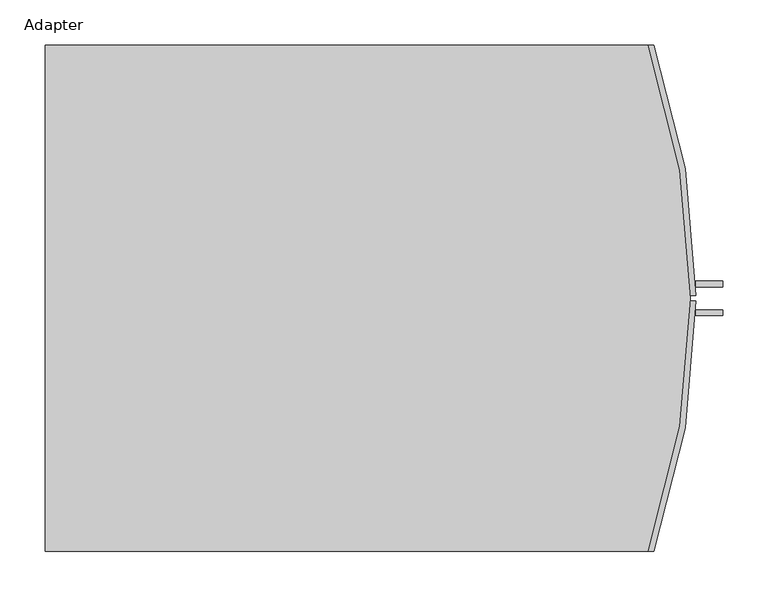
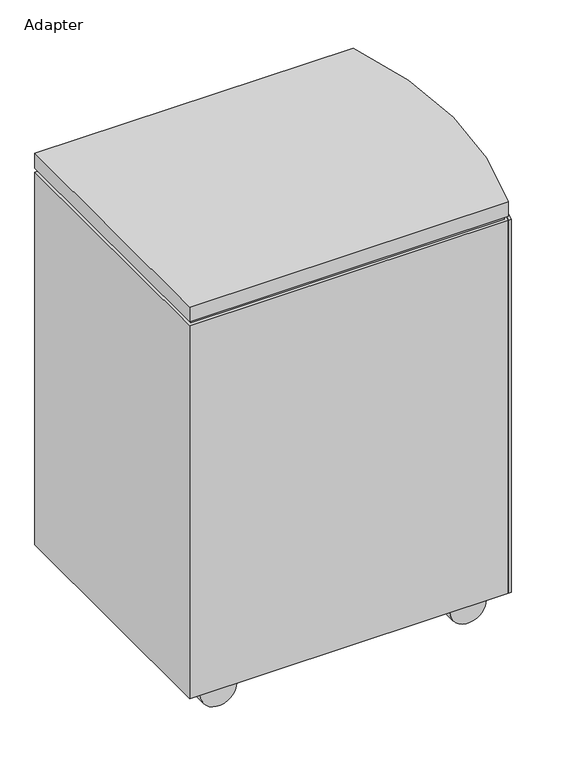
"""IFC4 building model written with IfcOpenShell, lengths in millimetres: proxy geometry, Adapter."""

from ifc_helpers import new_model, si_unit, point, frame, frame_2d, origin, place, context, project, spatial, polyline, circle_curve, trimmed, segment, composite_curve, outline, extrude, source, transform, mapped, element, save
from ifc_brep_helpers import plane_surface, cylinder_surface, revolved_surface, advanced_brep


def adapter_5cf32f5f(model_context):
    return source(origin(), model_context, "Body", "SolidModel", [
        advanced_brep(
        [(664.6896646, 0.0, 939.8), (0.0, 0.0, 939.8), (0.0, -558.8, 939.8), (664.6896646, -558.8, 939.8), (664.6896646, 0.0, 76.2), (664.6896646, -558.8, 76.2), (0.0, -558.8, 76.2), (0.0, 0.0, 76.2), (664.6896646, 0.0, 906.9953684), (0.0, 0.0, 906.9953684), (0.0, 0.0, 898.9584795), (664.6896646, 0.0, 898.9584795), (0.0, -558.8, 906.9953684), (664.6896646, -558.8, 906.9953684), (664.6896646, -558.8, 898.9584795), (0.0, -558.8, 898.9584795), (660.1393813, -552.45, 906.9953684), (660.1393813, -6.35, 906.9953684), (6.35, -6.35, 906.9953684), (6.35, -552.45, 906.9953684), (660.1393813, -552.45, 898.9584795), (6.35, -552.45, 898.9584795), (6.35, -6.35, 898.9584795), (660.1393813, -6.35, 898.9584795)],
        [
            (0, 1),
            (1, 2),
            (2, 3),
            (3, 0, circle_curve(frame((-151.2703593, -279.4, 939.8), z_axis=(0.0, 0.0, 1.0), x_axis=(-1.0, 0.0, 0.0)), 862.4703593)),
            (4, 5, circle_curve(frame((-151.2703593, -279.4, 76.2), z_axis=(0.0, 0.0, -1.0), x_axis=(-1.0, 0.0, 0.0)), 862.4703593)),
            (5, 6),
            (6, 7),
            (7, 4),
            (0, 8),
            (8, 9),
            (9, 1),
            (7, 10),
            (10, 11),
            (11, 4),
            (2, 12),
            (12, 13),
            (13, 3),
            (5, 14),
            (14, 15),
            (15, 6),
            (8, 13, circle_curve(frame((-151.2703593, -279.4, 906.9953684), z_axis=(0.0, 0.0, -1.0), x_axis=(-1.0, 0.0, 0.0)), 862.4703593)),
            (12, 9),
            (16, 17, circle_curve(frame((-151.2703593, -279.4, 906.9953684), z_axis=(0.0, 0.0, 1.0), x_axis=(-1.0, 0.0, 0.0)), 856.1203593)),
            (17, 18),
            (18, 19),
            (19, 16),
            (10, 15),
            (14, 11, circle_curve(frame((-151.2703593, -279.4, 898.9584795), z_axis=(0.0, 0.0, 1.0), x_axis=(-1.0, 0.0, 0.0)), 862.4703593)),
            (20, 21),
            (21, 22),
            (22, 23),
            (23, 20, circle_curve(frame((-151.2703593, -279.4, 898.9584795), z_axis=(0.0, 0.0, -1.0), x_axis=(-1.0, 0.0, 0.0)), 856.1203593)),
            (19, 21),
            (20, 16),
            (18, 22),
            (17, 23),
        ],
        [
            plane_surface(frame((0.0, 0.0, 939.8), z_axis=(0.0, 0.0, 1.0), x_axis=(-1.0, 0.0, 0.0))),
            plane_surface(frame((0.0, 0.0, 76.2), z_axis=(0.0, 0.0, -1.0), x_axis=(1.0, 0.0, 0.0))),
            plane_surface(frame((664.6896646, 0.0, 939.8), z_axis=(0.0, 1.0, 0.0), x_axis=(0.0, 0.0, -1.0))),
            plane_surface(frame((0.0, -558.8, 939.8), z_axis=(0.0, -1.0, 0.0), x_axis=(0.0, 0.0, -1.0))),
            plane_surface(frame((-1013.7407187, -279.4, 906.9953684), z_axis=(0.0, 0.0, -1.0), x_axis=(0.0, -1.0, 0.0))),
            plane_surface(frame((-1013.7407187, -279.4, 898.9584795), z_axis=(0.0, 0.0, 1.0), x_axis=(0.0, 1.0, 0.0))),
            plane_surface(frame((660.1393813, -552.45, 906.9953684), z_axis=(0.0, -1.0, 0.0), x_axis=(0.0, 0.0, -1.0))),
            plane_surface(frame((6.35, -552.45, 906.9953684), z_axis=(-1.0, 0.0, 0.0), x_axis=(0.0, 0.0, -1.0))),
            plane_surface(frame((6.35, -6.35, 906.9953684), z_axis=(0.0, 1.0, 0.0), x_axis=(0.0, 0.0, -1.0))),
            cylinder_surface(frame((-151.2703593, -279.4, 0.0), z_axis=(0.0, 0.0, -1.0), x_axis=(-1.0, 0.0, 0.0)), 856.1203593),
            plane_surface(frame((0.0, 0.0, 939.8), z_axis=(-1.0, 0.0, 0.0), x_axis=(0.0, 0.0, -1.0))),
            cylinder_surface(frame((-151.2703593, -279.4, 76.2), z_axis=(0.0, 0.0, 1.0), x_axis=(-1.0, 0.0, 0.0)), 862.4703593),
        ],
        [
            (0, [[1, 2, 3, 4]]),
            (1, [[5, 6, 7, 8]]),
            (2, [[-1, 9, 10, 11]]),
            (2, [[-8, 12, 13, 14]]),
            (3, [[-3, 15, 16, 17]]),
            (3, [[-6, 18, 19, 20]]),
            (4, [[-10, 21, -16, 22], [23, 24, 25, 26]]),
            (5, [[-13, 27, -19, 28], [29, 30, 31, 32]]),
            (6, [[-26, 33, -29, 34]]),
            (7, [[-25, 35, -30, -33]]),
            (8, [[-24, 36, -31, -35]]),
            (9, [[-23, -34, -32, -36]]),
            (10, [[-2, -11, -22, -15]]),
            (10, [[-7, -20, -27, -12]]),
            (11, [[-4, -17, -21, -9]]),
            (11, [[-5, -14, -28, -18]]),
        ],
    ),
        advanced_brep(
        [(711.1941559, -282.575, 898.9584795), (664.6896646, -558.8, 898.9584795), (671.398746, -558.8, 898.9584795), (717.5441987, -282.575, 898.9584795), (711.1941559, -282.575, 76.2), (717.5441987, -282.575, 76.2), (671.398746, -558.8, 76.2), (664.6896646, -558.8, 76.2), (717.3411271, -298.45, 408.2042398), (717.3411271, -298.45, 414.5542398), (717.4571738, -292.1, 414.5542398), (717.4571738, -292.1, 408.2042398), (717.3411271, -298.45, 560.6042398), (717.3411271, -298.45, 566.9542398), (717.4571738, -292.1, 566.9542398), (717.4571738, -292.1, 560.6042398), (747.2322748, -298.45, 408.2042398), (747.2322748, -298.45, 566.9542398), (740.8822748, -298.45, 560.6042398), (740.8822748, -298.45, 414.5542398), (740.8822748, -292.1, 414.5542398), (740.8822748, -292.1, 560.6042398), (747.2322748, -292.1, 566.9542398), (747.2322748, -292.1, 408.2042398)],
        [
            (0, 1, circle_curve(frame((-151.2703593, -279.4, 898.9584795), z_axis=(0.0, 0.0, -1.0), x_axis=(-1.0, 0.0, 0.0)), 862.4703593)),
            (1, 2),
            (2, 3, circle_curve(frame((-151.2703593, -279.4, 898.9584795), z_axis=(0.0, 0.0, 1.0), x_axis=(-1.0, 0.0, 0.0)), 868.8203593)),
            (3, 0),
            (4, 5),
            (5, 6, circle_curve(frame((-151.2703593, -279.4, 76.2), z_axis=(0.0, 0.0, -1.0), x_axis=(-1.0, 0.0, 0.0)), 868.8203593)),
            (6, 7),
            (7, 4, circle_curve(frame((-151.2703593, -279.4, 76.2), z_axis=(0.0, 0.0, 1.0), x_axis=(-1.0, 0.0, 0.0)), 862.4703593)),
            (0, 4),
            (7, 1),
            (6, 2),
            (5, 3),
            (8, 9),
            (9, 10, circle_curve(frame((-151.2703593, -279.4, 414.5542398), z_axis=(0.0, 0.0, 1.0), x_axis=(-1.0, 0.0, 0.0)), 868.8203593)),
            (10, 11),
            (11, 8, circle_curve(frame((-151.2703593, -279.4, 408.2042398), z_axis=(0.0, 0.0, -1.0), x_axis=(-1.0, 0.0, 0.0)), 868.8203593)),
            (12, 13),
            (13, 14, circle_curve(frame((-151.2703593, -279.4, 566.9542398), z_axis=(0.0, 0.0, 1.0), x_axis=(-1.0, 0.0, 0.0)), 868.8203593)),
            (14, 15),
            (15, 12, circle_curve(frame((-151.2703593, -279.4, 560.6042398), z_axis=(0.0, 0.0, -1.0), x_axis=(-1.0, 0.0, 0.0)), 868.8203593)),
            (16, 17),
            (17, 13),
            (12, 18),
            (18, 19),
            (19, 9),
            (8, 16),
            (19, 20),
            (20, 10),
            (20, 21),
            (21, 15),
            (14, 22),
            (22, 23),
            (23, 11),
            (23, 16),
            (18, 21),
            (22, 17),
        ],
        [
            plane_surface(frame((-1013.7407187, -279.4, 898.9584795), z_axis=(0.0, 0.0, 1.0), x_axis=(0.0, 1.0, 0.0))),
            plane_surface(frame((-1013.7407187, -279.4, 76.2), z_axis=(0.0, 0.0, -1.0), x_axis=(0.0, -1.0, 0.0))),
            revolved_surface(polyline([(-1013.7407186, -279.4, 76.2), (-1013.7407186, -279.4, 898.9584795)]), (-151.2703593, -279.4, 76.2), (0.0, 0.0, -1.0)),
            plane_surface(frame((664.6896646, -558.8, 898.9584795), z_axis=(0.0, -1.0, 0.0), x_axis=(0.0, 0.0, -1.0))),
            cylinder_surface(frame((-151.2703593, -279.4, 76.2), z_axis=(0.0, 0.0, 1.0), x_axis=(-1.0, 0.0, 0.0)), 868.8203593),
            plane_surface(frame((717.5441987, -282.575, 898.9584795), z_axis=(0.0, 1.0, 0.0), x_axis=(0.0, 0.0, -1.0))),
            plane_surface(frame((715.1629487, -298.45, 408.2042398), z_axis=(0.0, -1.0, 0.0), x_axis=(1.0, 0.0, 0.0))),
            plane_surface(frame((715.1629487, -298.45, 414.5542398), z_axis=(0.0, 0.0, 1.0), x_axis=(1.0, 0.0, 0.0))),
            plane_surface(frame((715.1629487, -292.1, 414.5542398), z_axis=(0.0, 1.0, 0.0), x_axis=(1.0, 0.0, 0.0))),
            plane_surface(frame((715.1629487, -292.1, 408.2042398), z_axis=(0.0, 0.0, -1.0), x_axis=(1.0, 0.0, 0.0))),
            plane_surface(frame((740.8822748, -298.45, 414.5542398), z_axis=(-1.0, 0.0, 0.0), x_axis=(0.0, 0.0, 1.0))),
            plane_surface(frame((747.2322748, -292.1, 408.2042398), z_axis=(1.0, 0.0, 0.0), x_axis=(0.0, 0.0, 1.0))),
            plane_surface(frame((740.8822748, -298.45, 560.6042398), z_axis=(0.0, 0.0, -1.0), x_axis=(-1.0, 0.0, 0.0))),
            plane_surface(frame((747.2322748, -292.1, 566.9542398), z_axis=(0.0, 0.0, 1.0), x_axis=(-1.0, 0.0, 0.0))),
        ],
        [
            (0, [[1, 2, 3, 4]]),
            (1, [[5, 6, 7, 8]]),
            (2, [[-1, 9, -8, 10]]),
            (3, [[-2, -10, -7, 11]]),
            (4, [[-3, -11, -6, 12], [13, 14, 15, 16], [17, 18, 19, 20]]),
            (5, [[-4, -12, -5, -9]]),
            (6, [[21, 22, -17, 23, 24, 25, -13, 26]]),
            (7, [[27, 28, -14, -25]]),
            (8, [[29, 30, -19, 31, 32, 33, -15, -28]]),
            (9, [[34, -26, -16, -33]]),
            (10, [[-24, 35, -29, -27]]),
            (11, [[-21, -34, -32, 36]]),
            (12, [[-35, -23, -20, -30]]),
            (13, [[-36, -31, -18, -22]]),
        ],
    ),
        advanced_brep(
        [(711.1941559, -276.225, 898.9584795), (717.5441987, -276.225, 898.9584795), (671.398746, 0.0, 898.9584795), (664.6896646, 0.0, 898.9584795), (711.1941559, -276.225, 76.2), (664.6896646, 0.0, 76.2), (671.398746, 0.0, 76.2), (717.5441987, -276.225, 76.2), (717.3411271, -260.35, 414.5542398), (717.3411271, -260.35, 408.2042398), (717.4571738, -266.7, 408.2042398), (717.4571738, -266.7, 414.5542398), (717.3411271, -260.35, 566.9542398), (717.3411271, -260.35, 560.6042398), (717.4571738, -266.7, 560.6042398), (717.4571738, -266.7, 566.9542398), (740.8822748, -260.35, 414.5542398), (740.8822748, -260.35, 560.6042398), (747.2322748, -260.35, 566.9542398), (747.2322748, -260.35, 408.2042398), (740.8822748, -266.7, 414.5542398), (747.2322748, -266.7, 408.2042398), (747.2322748, -266.7, 566.9542398), (740.8822748, -266.7, 560.6042398)],
        [
            (0, 1),
            (1, 2, circle_curve(frame((-151.2703593, -279.4, 898.9584795), z_axis=(0.0, 0.0, 1.0), x_axis=(-1.0, 0.0, 0.0)), 868.8203593)),
            (2, 3),
            (3, 0, circle_curve(frame((-151.2703593, -279.4, 898.9584795), z_axis=(0.0, 0.0, -1.0), x_axis=(-1.0, 0.0, 0.0)), 862.4703593)),
            (4, 5, circle_curve(frame((-151.2703593, -279.4, 76.2), z_axis=(0.0, 0.0, 1.0), x_axis=(-1.0, 0.0, 0.0)), 862.4703593)),
            (5, 6),
            (6, 7, circle_curve(frame((-151.2703593, -279.4, 76.2), z_axis=(0.0, 0.0, -1.0), x_axis=(-1.0, 0.0, 0.0)), 868.8203593)),
            (7, 4),
            (3, 5),
            (4, 0),
            (2, 6),
            (1, 7),
            (8, 9),
            (9, 10, circle_curve(frame((-151.2703593, -279.4, 408.2042398), z_axis=(0.0, 0.0, -1.0), x_axis=(-1.0, 0.0, 0.0)), 868.8203593)),
            (10, 11),
            (11, 8, circle_curve(frame((-151.2703593, -279.4, 414.5542398), z_axis=(0.0, 0.0, 1.0), x_axis=(-1.0, 0.0, 0.0)), 868.8203593)),
            (12, 13),
            (13, 14, circle_curve(frame((-151.2703593, -279.4, 560.6042398), z_axis=(0.0, 0.0, -1.0), x_axis=(-1.0, 0.0, 0.0)), 868.8203593)),
            (14, 15),
            (15, 12, circle_curve(frame((-151.2703593, -279.4, 566.9542398), z_axis=(0.0, 0.0, 1.0), x_axis=(-1.0, 0.0, 0.0)), 868.8203593)),
            (16, 17),
            (17, 13),
            (12, 18),
            (18, 19),
            (19, 9),
            (8, 16),
            (20, 16),
            (11, 20),
            (21, 22),
            (22, 15),
            (14, 23),
            (23, 20),
            (10, 21),
            (19, 21),
            (23, 17),
            (18, 22),
        ],
        [
            plane_surface(frame((711.2, -276.225, 898.9584795), z_axis=(0.0, 0.0, 1.0), x_axis=(1.0, 0.0, 0.0))),
            plane_surface(frame((711.2, -276.225, 76.2), z_axis=(0.0, 0.0, -1.0), x_axis=(-1.0, 0.0, 0.0))),
            revolved_surface(polyline([(-1013.7407186, -279.4, 76.2), (-1013.7407186, -279.4, 898.9584795)]), (-151.2703593, -279.4, 76.2), (0.0, 0.0, -1.0)),
            plane_surface(frame((671.398746, 0.0, 898.9584795), z_axis=(0.0, 1.0, 0.0), x_axis=(0.0, 0.0, -1.0))),
            cylinder_surface(frame((-151.2703593, -279.4, 76.2), z_axis=(0.0, 0.0, 1.0), x_axis=(-1.0, 0.0, 0.0)), 868.8203593),
            plane_surface(frame((711.1941559, -276.225, 898.9584795), z_axis=(0.0, -1.0, 0.0), x_axis=(0.0, 0.0, -1.0))),
            plane_surface(frame((715.1629487, -260.35, 414.5542398), z_axis=(0.0, 1.0, 0.0), x_axis=(1.0, 0.0, 0.0))),
            plane_surface(frame((715.1629487, -266.7, 414.5542398), z_axis=(0.0, 0.0, 1.0), x_axis=(1.0, 0.0, 0.0))),
            plane_surface(frame((715.1629487, -266.7, 408.2042398), z_axis=(0.0, -1.0, 0.0), x_axis=(1.0, 0.0, 0.0))),
            plane_surface(frame((715.1629487, -260.35, 408.2042398), z_axis=(0.0, 0.0, -1.0), x_axis=(1.0, 0.0, 0.0))),
            plane_surface(frame((740.8822748, -266.7, 414.5542398), z_axis=(-1.0, 0.0, 0.0), x_axis=(0.0, 0.0, 1.0))),
            plane_surface(frame((747.2322748, -260.35, 408.2042398), z_axis=(1.0, 0.0, 0.0), x_axis=(0.0, 0.0, 1.0))),
            plane_surface(frame((740.8822748, -266.7, 560.6042398), z_axis=(0.0, 0.0, -1.0), x_axis=(-1.0, 0.0, 0.0))),
            plane_surface(frame((747.2322748, -260.35, 566.9542398), z_axis=(0.0, 0.0, 1.0), x_axis=(-1.0, 0.0, 0.0))),
        ],
        [
            (0, [[1, 2, 3, 4]]),
            (1, [[5, 6, 7, 8]]),
            (2, [[-4, 9, -5, 10]]),
            (3, [[-3, 11, -6, -9]]),
            (4, [[-2, 12, -7, -11], [13, 14, 15, 16], [17, 18, 19, 20]]),
            (5, [[-1, -10, -8, -12]]),
            (6, [[21, 22, -17, 23, 24, 25, -13, 26]]),
            (7, [[27, -26, -16, 28]]),
            (8, [[29, 30, -19, 31, 32, -28, -15, 33]]),
            (9, [[34, -33, -14, -25]]),
            (10, [[-21, -27, -32, 35]]),
            (11, [[-24, 36, -29, -34]]),
            (12, [[-35, -31, -18, -22]]),
            (13, [[-36, -23, -20, -30]]),
        ],
    ),
        extrude(outline(composite_curve([segment(trimmed(circle_curve(frame_2d((38.1, 88.1419106)), 38.1), [point((38.1, 50.0419106))], [point((38.1, 126.2419106))], False, "CARTESIAN"), True, "CONTINUOUS"), segment(trimmed(circle_curve(frame_2d((38.1, 88.1419106)), 38.1), [point((38.1, 126.2419106))], [point((38.1, 50.0419106))], False, "CARTESIAN"), True, "CONTINUOUS")], self_intersect=False)), frame((0.0, -510.5277879, 0.0), z_axis=(0.0, 1.0, 0.0), x_axis=(0.0, 0.0, 1.0)), (0.0, 0.0, 1.0), 57.4438809),
        extrude(outline(composite_curve([segment(trimmed(circle_curve(frame_2d((38.1, 608.8419106)), 38.1), [point((38.1, 570.7419106))], [point((38.1, 646.9419106))], False, "CARTESIAN"), True, "CONTINUOUS"), segment(trimmed(circle_curve(frame_2d((38.1, 608.8419106)), 38.1), [point((38.1, 646.9419106))], [point((38.1, 570.7419106))], False, "CARTESIAN"), True, "CONTINUOUS")], self_intersect=False)), frame((0.0, -510.5277879, 0.0), z_axis=(0.0, 1.0, 0.0), x_axis=(0.0, 0.0, 1.0)), (0.0, 0.0, 1.0), 57.4438809),
        extrude(outline(composite_curve([segment(trimmed(circle_curve(frame_2d((38.1, 88.1419106)), 38.1), [point((38.1, 50.0419106))], [point((38.1, 126.2419106))], False, "CARTESIAN"), True, "CONTINUOUS"), segment(trimmed(circle_curve(frame_2d((38.1, 88.1419106)), 38.1), [point((38.1, 126.2419106))], [point((38.1, 50.0419106))], False, "CARTESIAN"), True, "CONTINUOUS")], self_intersect=False)), frame((0.0, -110.4777879, 0.0), z_axis=(0.0, 1.0, 0.0), x_axis=(0.0, 0.0, 1.0)), (0.0, 0.0, 1.0), 57.4438809),
        extrude(outline(composite_curve([segment(trimmed(circle_curve(frame_2d((38.1, 608.8419106)), 38.1), [point((38.1, 570.7419106))], [point((38.1, 646.9419106))], False, "CARTESIAN"), True, "CONTINUOUS"), segment(trimmed(circle_curve(frame_2d((38.1, 608.8419106)), 38.1), [point((38.1, 646.9419106))], [point((38.1, 570.7419106))], False, "CARTESIAN"), True, "CONTINUOUS")], self_intersect=False)), frame((0.0, -110.4777879, 0.0), z_axis=(0.0, 1.0, 0.0), x_axis=(0.0, 0.0, 1.0)), (0.0, 0.0, 1.0), 57.4438809),
    ])


if __name__ == "__main__":
    model = new_model("IFC4")
    model_context = context("Model", 3, world=origin())
    ifc_project = project(units=[si_unit("LENGTHUNIT", "METRE", prefix="MILLI")], contexts=[model_context])
    site = spatial("IfcSite", under=ifc_project)
    building = spatial("IfcBuilding", under=site)
    placement = place(None, origin())
    adapter_shape = adapter_5cf32f5f(model_context)
    element("IfcBuildingElementProxy", 1, Name="Adapter", ObjectType="Adapter", at=placement, inside=building, context=model_context, shape_type="MappedRepresentation", body=[
        mapped(adapter_shape, transform((0.0, 0.0, 0.0), x_axis=(1.0, 0.0, 0.0), y_axis=(0.0, 1.0, 0.0), z_axis=(0.0, 0.0, 1.0))),
    ])
    save(model, "model.ifc")
